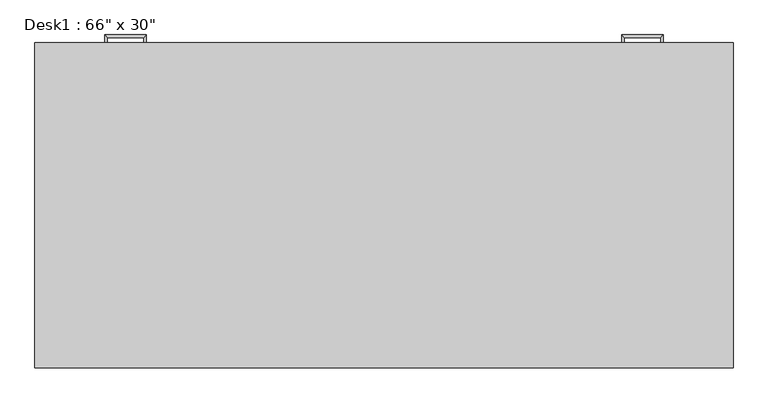
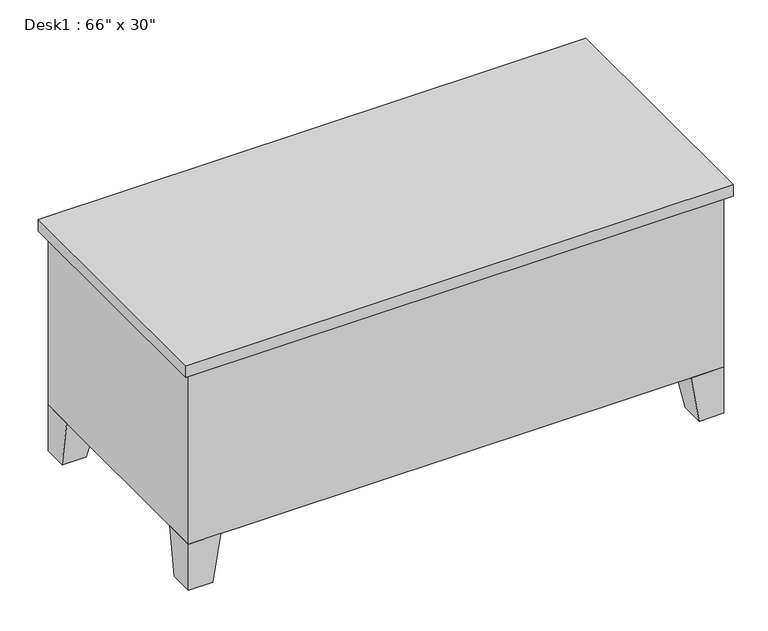
"""IFC4 building model written with IfcOpenShell, lengths in millimetres: furniture geometry."""

import ifcopenshell
import ifcopenshell.guid

model = None  # the IFC model being written
_history = None  # IfcOwnerHistory: only IFC2X3 demands one
_inside = {}  # id of a spatial element -> (the spatial element, [elements in it])
_under = {}  # id of a project, library or spatial element -> (it, [spatial elements below it])
_declared = {}  # id of a project -> (the project, [libraries it declares])
_typed = {}  # id of a type object -> (the type object, [elements of that type])
_made_of = {}  # id of a material, layer set ... -> (it, [elements and type objects made of it])


def new_model(schema):
    """Start an empty IFC model of exactly this schema.

    Asked for "IFC4X3", IfcOpenShell would pick the latest addendum, in which some entities
    have other attributes; the version numbers below select the first issue.
    IFC2X3 requires an IfcOwnerHistory on every rooted entity: one is made here for all.
    """
    global model, _history
    if schema == "IFC4X3":
        model = ifcopenshell.file(schema_version=(4, 3, 0, 0))
    else:
        model = ifcopenshell.file(schema=schema)
    _inside.clear()
    _under.clear()
    _declared.clear()
    _typed.clear()
    _made_of.clear()
    _history = None
    if model.schema == "IFC2X3":
        org = make("IfcOrganization", Name="unknown")
        user = make(
            "IfcPersonAndOrganization",
            ThePerson=make("IfcPerson", FamilyName="unknown"),
            TheOrganization=org,
        )
        app = make(
            "IfcApplication",
            ApplicationDeveloper=org,
            Version="unknown",
            ApplicationFullName="unknown",
            ApplicationIdentifier="unknown",
        )
        _history = make(
            "IfcOwnerHistory",
            OwningUser=user,
            OwningApplication=app,
            ChangeAction="ADDED",
            CreationDate=0,
        )
    return model


def make(cls, **values):
    """One entity of the class cls with the attributes given. An attribute that is None is left unset."""
    return model.create_entity(
        cls, **{name: value for name, value in values.items() if value is not None}
    )


def rooted(cls, **values):
    """An entity with a GlobalId (a new one), such as an element, a storey or a relation."""
    return make(cls, GlobalId=ifcopenshell.guid.new(), OwnerHistory=_history, **values)


def si_unit(unit_type, name, prefix=None):
    """IfcSIUnit, for example si_unit("LENGTHUNIT", "METRE", prefix="MILLI")."""
    return make("IfcSIUnit", UnitType=unit_type, Prefix=prefix, Name=name)


def assignment(units):
    """IfcUnitAssignment: the units of a project."""
    return None if units is None else make("IfcUnitAssignment", Units=units)


def point(xyz):
    """IfcCartesianPoint."""
    return None if xyz is None else make("IfcCartesianPoint", Coordinates=xyz)


def direction(xyz):
    """IfcDirection."""
    return None if xyz is None else make("IfcDirection", DirectionRatios=xyz)


def frame(location, z_axis=None, x_axis=None):
    """IfcAxis2Placement3D, a coordinate frame: its origin and axes. An axis left out is left unset."""
    return make(
        "IfcAxis2Placement3D",
        Location=point(location),
        Axis=direction(z_axis),
        RefDirection=direction(x_axis),
    )


def origin():
    """The frame at (0, 0, 0) with its axes left unset."""
    return frame((0.0, 0.0, 0.0))


def place(relative_to, where):
    """IfcLocalPlacement: puts the frame where relative to a parent placement (None: the world)."""
    return make(
        "IfcLocalPlacement", PlacementRelTo=relative_to, RelativePlacement=where
    )


def context(
    kind, dimensions, precision=None, world=None, true_north=None, identifier=None
):
    """IfcGeometricRepresentationContext, for example the 3D "Model" context."""
    return make(
        "IfcGeometricRepresentationContext",
        ContextIdentifier=identifier,
        ContextType=kind,
        CoordinateSpaceDimension=dimensions,
        Precision=precision,
        WorldCoordinateSystem=world,
        TrueNorth=true_north,
    )


def project(units=None, contexts=None):
    """IfcProject with its units and contexts."""
    return rooted(
        "IfcProject",
        Name="project",
        RepresentationContexts=contexts,
        UnitsInContext=assignment(units),
    )


def spatial(cls, under=None, at=None, **own):
    """A site, building, storey or space (cls), placed at a placement, below another one or the project."""
    s = rooted(cls, ObjectPlacement=at, **own)
    if under is not None:
        _under.setdefault(under.id(), (under, []))[1].append(s)
    return s


def polyline(points):
    """IfcPolyline through the points."""
    return make("IfcPolyline", Points=[point(p) for p in points])


def outline(outer, holes=None, kind="AREA"):
    """IfcArbitraryClosedProfileDef: a profile drawn as a closed curve; with holes, ...WithVoids."""
    if holes is None:
        return make("IfcArbitraryClosedProfileDef", ProfileType=kind, OuterCurve=outer)
    return make(
        "IfcArbitraryProfileDefWithVoids",
        ProfileType=kind,
        OuterCurve=outer,
        InnerCurves=holes,
    )


def extrude(swept, where, along, depth):
    """IfcExtrudedAreaSolid: the profile swept, set in the frame where, extruded along a direction by depth."""
    return make(
        "IfcExtrudedAreaSolid",
        SweptArea=swept,
        Position=where,
        ExtrudedDirection=direction(along),
        Depth=depth,
    )


def faces_of(points, faces, orient=None, outer=None):
    """IfcFace entities. A face is a list of loops; a loop is a list of indices into points, from 0.

    orient and outer hold one flag for each loop. By default every Orientation is true, the
    first loop of a face is its IfcFaceOuterBound and the others are IfcFaceBound.
    """
    made = []
    for i, loops in enumerate(faces):
        bounds = []
        for j, loop in enumerate(loops):
            is_outer = j == 0 if outer is None else outer[i][j]
            bounds.append(
                make(
                    "IfcFaceOuterBound" if is_outer else "IfcFaceBound",
                    Bound=make("IfcPolyLoop", Polygon=[points[k] for k in loop]),
                    Orientation=True if orient is None else orient[i][j],
                )
            )
        made.append(make("IfcFace", Bounds=bounds))
    return made


def faceted_brep(points, faces, orient=None, outer=None, voids=None):
    """IfcFacetedBrep: a solid bounded by flat faces; with voids (closed shells), ...WithVoids."""
    shared = [point(p) for p in points]
    hull = make("IfcClosedShell", CfsFaces=faces_of(shared, faces, orient, outer))
    if voids is None:
        return make("IfcFacetedBrep", Outer=hull)
    return make(
        "IfcFacetedBrepWithVoids",
        Outer=hull,
        Voids=[
            make(cls, CfsFaces=faces_of(shared, fs, o, b)) for cls, fs, o, b in voids
        ],
    )


def shape(context_of_items, identifier, shape_type, items):
    """IfcShapeRepresentation: the items that make up one representation, for example the "Body"."""
    return make(
        "IfcShapeRepresentation",
        ContextOfItems=context_of_items,
        RepresentationIdentifier=identifier,
        RepresentationType=shape_type,
        Items=items,
    )


def source(mapping_origin, context_of_items, identifier, shape_type, items):
    """IfcRepresentationMap: a shape defined once, which mapped items show again and again."""
    return make(
        "IfcRepresentationMap",
        MappingOrigin=mapping_origin,
        MappedRepresentation=shape(context_of_items, identifier, shape_type, items),
    )


def transform(
    local_origin,
    x_axis=None,
    y_axis=None,
    z_axis=None,
    scale=None,
    scale2=None,
    scale3=None,
    uniform=True,
):
    """IfcCartesianTransformationOperator3D, or its non-uniform kind. x_axis, y_axis, z_axis: its Axis1, 2, 3."""
    if uniform:
        return make(
            "IfcCartesianTransformationOperator3D",
            Axis1=direction(x_axis),
            Axis2=direction(y_axis),
            LocalOrigin=point(local_origin),
            Scale=scale,
            Axis3=direction(z_axis),
        )
    return make(
        "IfcCartesianTransformationOperator3DnonUniform",
        Axis1=direction(x_axis),
        Axis2=direction(y_axis),
        LocalOrigin=point(local_origin),
        Scale=scale,
        Axis3=direction(z_axis),
        Scale2=scale2,
        Scale3=scale3,
    )


def mapped(mapping_source, mapping_target):
    """IfcMappedItem: shows the shape of a source again, moved by a transform."""
    return make(
        "IfcMappedItem", MappingSource=mapping_source, MappingTarget=mapping_target
    )


def made_of(thing, what):
    """Note that an element or type object is made of a material, layer set ...; save() writes the relation."""
    if what is not None:
        _made_of.setdefault(what.id(), (what, []))[1].append(thing)
    return thing


def element(
    cls,
    number,
    at=None,
    inside=None,
    cuts=None,
    type_object=None,
    material=None,
    context=None,
    identifier="Body",
    shape_type=None,
    held_by="IfcProductDefinitionShape",
    body=None,
    shapes=None,
    **own,
):
    """One element of the class cls, such as IfcWall. Its Tag is "e" and its number.

    at: its placement. inside: the storey or other place that contains it. cuts: it is an
    opening in that element (IfcRelVoidsElement). A single representation is given by context,
    identifier, shape_type and body (its items); several are given by shapes. held_by: the class
    of the entity that holds the representations. save() writes the other relations.
    """
    e = rooted(cls, Tag="e%d" % number, ObjectPlacement=at, **own)
    if body is not None:
        shapes = [shape(context, identifier, shape_type, body)]
    if shapes is not None:
        e.Representation = make(held_by, Representations=shapes)
    if inside is not None:
        _inside.setdefault(inside.id(), (inside, []))[1].append(e)
    if cuts is not None:
        rooted(
            "IfcRelVoidsElement", RelatingBuildingElement=cuts, RelatedOpeningElement=e
        )
    if type_object is not None:
        _typed.setdefault(type_object.id(), (type_object, []))[1].append(e)
    return made_of(e, material)


def aggregate(whole, parts):
    """IfcRelAggregates: a whole, such as a stair, and the parts it consists of."""
    return rooted("IfcRelAggregates", RelatingObject=whole, RelatedObjects=parts)


def save(model, path):
    """Write the relations noted so far, then the file.

    IfcRelAggregates (storeys below a building ...), IfcRelContainedInSpatialStructure (elements
    in a storey), IfcRelDefinesByType, IfcRelAssociatesMaterial and IfcRelDeclares: one each for
    every whole, place, type object, material and project.
    """
    for whole, parts in _under.values():
        aggregate(whole, parts)
    for where, things in _inside.values():
        rooted(
            "IfcRelContainedInSpatialStructure",
            RelatedElements=things,
            RelatingStructure=where,
        )
    for kind, things in _typed.values():
        rooted("IfcRelDefinesByType", RelatedObjects=things, RelatingType=kind)
    for what, things in _made_of.values():
        rooted("IfcRelAssociatesMaterial", RelatedObjects=things, RelatingMaterial=what)
    for by, libraries in _declared.values():
        rooted("IfcRelDeclares", RelatingContext=by, RelatedDefinitions=libraries)
    model.write(path)


def furniture_bcdaa455(model_context):
    return source(origin(), model_context, "Body", "SolidModel", [
        extrude(outline(polyline([(1657.35, 762.0), (1289.05, 762.0), (1289.05, 774.7), (1657.35, 774.7), (1657.35, 762.0)])), frame((0.0, 0.0, 603.25), z_axis=(0.0, 0.0, 1.0), x_axis=(1.0, 0.0, 0.0)), (0.0, 0.0, 1.0), 101.6),
        extrude(outline(polyline([(1657.35, 762.0), (1289.05, 762.0), (1289.05, 774.7), (1657.35, 774.7), (1657.35, 762.0)])), frame((0.0, 0.0, 171.45), z_axis=(0.0, 0.0, 1.0), x_axis=(1.0, 0.0, 0.0)), (0.0, 0.0, 1.0), 412.75),
        extrude(outline(polyline([(387.35, 762.0), (19.05, 762.0), (19.05, 774.7), (387.35, 774.7), (387.35, 762.0)])), frame((0.0, 0.0, 603.25), z_axis=(0.0, 0.0, 1.0), x_axis=(1.0, 0.0, 0.0)), (0.0, 0.0, 1.0), 101.6),
        extrude(outline(polyline([(387.35, 762.0), (19.05, 762.0), (19.05, 774.7), (387.35, 774.7), (387.35, 762.0)])), frame((0.0, 0.0, 171.45), z_axis=(0.0, 0.0, 1.0), x_axis=(1.0, 0.0, 0.0)), (0.0, 0.0, 1.0), 171.45),
        extrude(outline(polyline([(387.35, 762.0), (19.05, 762.0), (19.05, 774.7), (387.35, 774.7), (387.35, 762.0)])), frame((0.0, 0.0, 482.6), z_axis=(0.0, 0.0, 1.0), x_axis=(1.0, 0.0, 0.0)), (0.0, 0.0, 1.0), 101.6),
        extrude(outline(polyline([(387.35, 762.0), (19.05, 762.0), (19.05, 774.7), (387.35, 774.7), (387.35, 762.0)])), frame((0.0, 0.0, 361.95), z_axis=(0.0, 0.0, 1.0), x_axis=(1.0, 0.0, 0.0)), (0.0, 0.0, 1.0), 101.6),
        faceted_brep([(1574.8, 762.0, 152.4), (1574.8, 660.4, 152.4), (1676.4, 660.4, 152.4), (1676.4, 762.0, 152.4), (1600.2, 762.0, 0.0), (1676.4, 762.0, 0.0), (1676.4, 685.8, 0.0), (1600.2, 685.8, 0.0)], [[[0, 1, 2, 3]], [[4, 5, 6, 7]], [[4, 7, 1, 0]], [[7, 6, 2, 1]], [[6, 5, 3, 2]], [[5, 4, 0, 3]]]),
        faceted_brep([(1574.8, 0.0, 152.4), (1676.4, 0.0, 152.4), (1676.4, 101.6, 152.4), (1574.8, 101.6, 152.4), (1600.2, 0.0, 0.0), (1600.2, 76.2, 0.0), (1676.4, 76.2, 0.0), (1676.4, 0.0, 0.0)], [[[0, 1, 2, 3]], [[4, 5, 6, 7]], [[4, 7, 1, 0]], [[7, 6, 2, 1]], [[6, 5, 3, 2]], [[5, 4, 0, 3]]]),
        faceted_brep([(101.6, 0.0, 152.4), (101.6, 101.6, 152.4), (0.0, 101.6, 152.4), (0.0, 0.0, 152.4), (76.2, 0.0, 0.0), (0.0, 0.0, 0.0), (0.0, 76.2, 0.0), (76.2, 76.2, 0.0)], [[[0, 1, 2, 3]], [[4, 5, 6, 7]], [[4, 7, 1, 0]], [[7, 6, 2, 1]], [[6, 5, 3, 2]], [[5, 4, 0, 3]]]),
        faceted_brep([(101.6, 762.0, 152.4), (0.0, 762.0, 152.4), (0.0, 660.4, 152.4), (101.6, 660.4, 152.4), (76.2, 762.0, 0.0), (76.2, 685.8, 0.0), (0.0, 685.8, 0.0), (0.0, 762.0, 0.0)], [[[0, 1, 2, 3]], [[4, 5, 6, 7]], [[4, 7, 1, 0]], [[7, 6, 2, 1]], [[6, 5, 3, 2]], [[5, 4, 0, 3]]]),
        extrude(outline(polyline([(1695.45, 781.05), (1695.45, -19.05), (-19.05, -19.05), (-19.05, 781.05), (1695.45, 781.05)])), frame((0.0, 0.0, 723.9), z_axis=(0.0, 0.0, 1.0), x_axis=(1.0, 0.0, 0.0)), (0.0, 0.0, 1.0), 38.1),
        extrude(outline(polyline([(406.4, 762.0), (406.4, 50.8), (1270.0, 50.8), (1270.0, 762.0), (1676.4, 762.0), (1676.4, 0.0), (0.0, 0.0), (0.0, 762.0), (406.4, 762.0)])), frame((0.0, 0.0, 152.4), z_axis=(0.0, 0.0, 1.0), x_axis=(1.0, 0.0, 0.0)), (0.0, 0.0, 1.0), 571.5),
        faceted_brep([(1517.65, 774.7, 546.1), (1517.65, 774.7, 533.4), (1524.0, 774.7, 533.4), (1524.0, 774.7, 546.1), (1517.65, 793.75, 546.1), (1517.65, 793.75, 533.4), (1524.0, 800.1, 533.4), (1524.0, 800.1, 546.1), (1428.75, 793.75, 546.1), (1428.75, 793.75, 533.4), (1422.4, 800.1, 533.4), (1422.4, 800.1, 546.1), (1428.75, 774.7, 546.1), (1422.4, 774.7, 546.1), (1422.4, 774.7, 533.4), (1428.75, 774.7, 533.4)], [[[0, 1, 2, 3]], [[1, 0, 4, 5]], [[2, 1, 5, 6]], [[3, 2, 6, 7]], [[0, 3, 7, 4]], [[5, 4, 8, 9]], [[6, 5, 9, 10]], [[7, 6, 10, 11]], [[4, 7, 11, 8]], [[12, 13, 14, 15]], [[9, 8, 12, 15]], [[10, 9, 15, 14]], [[11, 10, 14, 13]], [[8, 11, 13, 12]]]),
        faceted_brep([(1517.65, 774.7, 666.75), (1517.65, 774.7, 654.05), (1524.0, 774.7, 654.05), (1524.0, 774.7, 666.75), (1517.65, 793.75, 666.75), (1517.65, 793.75, 654.05), (1524.0, 800.1, 654.05), (1524.0, 800.1, 666.75), (1428.75, 793.75, 666.75), (1428.75, 793.75, 654.05), (1422.4, 800.1, 654.05), (1422.4, 800.1, 666.75), (1428.75, 774.7, 666.75), (1422.4, 774.7, 666.75), (1422.4, 774.7, 654.05), (1428.75, 774.7, 654.05)], [[[0, 1, 2, 3]], [[1, 0, 4, 5]], [[2, 1, 5, 6]], [[3, 2, 6, 7]], [[0, 3, 7, 4]], [[5, 4, 8, 9]], [[6, 5, 9, 10]], [[7, 6, 10, 11]], [[4, 7, 11, 8]], [[12, 13, 14, 15]], [[9, 8, 12, 15]], [[10, 9, 15, 14]], [[11, 10, 14, 13]], [[8, 11, 13, 12]]]),
        faceted_brep([(158.75, 774.7, 304.8), (152.4, 774.7, 304.8), (152.4, 774.7, 292.1), (158.75, 774.7, 292.1), (158.75, 793.75, 304.8), (152.4, 800.1, 304.8), (152.4, 800.1, 292.1), (158.75, 793.75, 292.1), (247.65, 793.75, 304.8), (254.0, 800.1, 304.8), (254.0, 800.1, 292.1), (247.65, 793.75, 292.1), (247.65, 774.7, 304.8), (247.65, 774.7, 292.1), (254.0, 774.7, 292.1), (254.0, 774.7, 304.8)], [[[0, 1, 2, 3]], [[1, 0, 4, 5]], [[2, 1, 5, 6]], [[3, 2, 6, 7]], [[0, 3, 7, 4]], [[5, 4, 8, 9]], [[6, 5, 9, 10]], [[7, 6, 10, 11]], [[4, 7, 11, 8]], [[12, 13, 14, 15]], [[9, 8, 12, 15]], [[10, 9, 15, 14]], [[11, 10, 14, 13]], [[8, 11, 13, 12]]]),
        faceted_brep([(158.75, 774.7, 425.45), (152.4, 774.7, 425.45), (152.4, 774.7, 412.75), (158.75, 774.7, 412.75), (158.75, 793.75, 425.45), (152.4, 800.1, 425.45), (152.4, 800.1, 412.75), (158.75, 793.75, 412.75), (247.65, 793.75, 425.45), (254.0, 800.1, 425.45), (254.0, 800.1, 412.75), (247.65, 793.75, 412.75), (247.65, 774.7, 425.45), (247.65, 774.7, 412.75), (254.0, 774.7, 412.75), (254.0, 774.7, 425.45)], [[[0, 1, 2, 3]], [[1, 0, 4, 5]], [[2, 1, 5, 6]], [[3, 2, 6, 7]], [[0, 3, 7, 4]], [[5, 4, 8, 9]], [[6, 5, 9, 10]], [[7, 6, 10, 11]], [[4, 7, 11, 8]], [[12, 13, 14, 15]], [[9, 8, 12, 15]], [[10, 9, 15, 14]], [[11, 10, 14, 13]], [[8, 11, 13, 12]]]),
        faceted_brep([(158.75, 774.7, 546.1), (152.4, 774.7, 546.1), (152.4, 774.7, 533.4), (158.75, 774.7, 533.4), (158.75, 793.75, 546.1), (152.4, 800.1, 546.1), (152.4, 800.1, 533.4), (158.75, 793.75, 533.4), (247.65, 793.75, 546.1), (254.0, 800.1, 546.1), (254.0, 800.1, 533.4), (247.65, 793.75, 533.4), (247.65, 774.7, 546.1), (247.65, 774.7, 533.4), (254.0, 774.7, 533.4), (254.0, 774.7, 546.1)], [[[0, 1, 2, 3]], [[1, 0, 4, 5]], [[2, 1, 5, 6]], [[3, 2, 6, 7]], [[0, 3, 7, 4]], [[5, 4, 8, 9]], [[6, 5, 9, 10]], [[7, 6, 10, 11]], [[4, 7, 11, 8]], [[12, 13, 14, 15]], [[9, 8, 12, 15]], [[10, 9, 15, 14]], [[11, 10, 14, 13]], [[8, 11, 13, 12]]]),
        faceted_brep([(158.75, 774.7, 666.75), (152.4, 774.7, 666.75), (152.4, 774.7, 654.05), (158.75, 774.7, 654.05), (158.75, 793.75, 666.75), (152.4, 800.1, 666.75), (152.4, 800.1, 654.05), (158.75, 793.75, 654.05), (247.65, 793.75, 666.75), (254.0, 800.1, 666.75), (254.0, 800.1, 654.05), (247.65, 793.75, 654.05), (247.65, 774.7, 666.75), (247.65, 774.7, 654.05), (254.0, 774.7, 654.05), (254.0, 774.7, 666.75)], [[[0, 1, 2, 3]], [[1, 0, 4, 5]], [[2, 1, 5, 6]], [[3, 2, 6, 7]], [[0, 3, 7, 4]], [[5, 4, 8, 9]], [[6, 5, 9, 10]], [[7, 6, 10, 11]], [[4, 7, 11, 8]], [[12, 13, 14, 15]], [[9, 8, 12, 15]], [[10, 9, 15, 14]], [[11, 10, 14, 13]], [[8, 11, 13, 12]]]),
    ])


if __name__ == "__main__":
    model = new_model("IFC4")
    model_context = context("Model", 3, world=origin())
    ifc_project = project(units=[si_unit("LENGTHUNIT", "METRE", prefix="MILLI")], contexts=[model_context])
    site = spatial("IfcSite", under=ifc_project)
    building = spatial("IfcBuilding", under=site)
    placement = place(None, origin())
    furniture_shape = furniture_bcdaa455(model_context)
    element("IfcFurniture", 1, ObjectType="Desk1 : 66\" x 30\"", at=placement, inside=building, context=model_context, shape_type="MappedRepresentation", body=[
        mapped(furniture_shape, transform((0.0, 0.0, 0.0), x_axis=(1.0, 0.0, 0.0), y_axis=(0.0, 1.0, 0.0), z_axis=(0.0, 0.0, 1.0))),
    ])
    save(model, "model.ifc")
